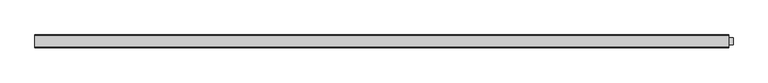
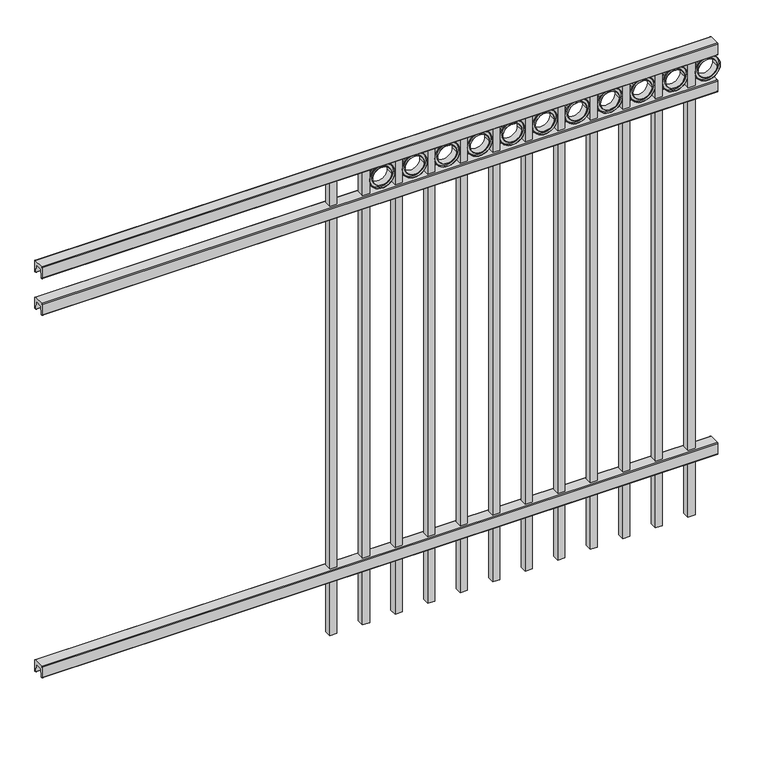
"""IFC4 building model written with IfcOpenShell, lengths in millimetres: railing geometry."""

from ifc_helpers import new_model, si_unit, point, frame, frame_2d, origin, place, context, project, spatial, polyline, circle_curve, trimmed, segment, composite_curve, outline, extrude, source, transform, mapped, element, save


def railing_21b656ec(model_context):
    return source(origin(), model_context, "Body", "SweptSolid", [
        extrude(outline(composite_curve([segment(polyline([(10349.9139761, 304.8), (10387.969541, 304.8)]), True, "CONTINUOUS"), segment(trimmed(circle_curve(frame_2d((10387.969541, 301.625)), 3.175), [point((10387.969541, 304.8))], [point((10391.144541, 301.625))], False, "CARTESIAN"), True, "CONTINUOUS"), segment(polyline([(10391.144541, 301.625), (10391.144541, 262.1439893)]), True, "CONTINUOUS"), segment(trimmed(circle_curve(frame_2d((10389.3505518, 262.1439893)), 1.7939893), [point((10391.144541, 262.1439893))], [point((10389.3505518, 260.35))], False, "CARTESIAN"), True, "CONTINUOUS"), segment(polyline([(10389.3505518, 260.35), (10386.7590713, 260.35)]), True, "CONTINUOUS"), segment(trimmed(circle_curve(frame_2d((10386.7590713, 262.1359375)), 1.7859375), [point((10386.7590713, 260.35))], [point((10384.9755813, 262.0424688))], False, "CARTESIAN"), True, "CONTINUOUS"), segment(polyline([(10384.9755813, 262.0424688), (10383.4025867, 292.0569942), (10354.4364954, 292.0569942), (10352.8635007, 262.0424688)]), True, "CONTINUOUS"), segment(trimmed(circle_curve(frame_2d((10351.0800108, 262.1359375)), 1.7859375), [point((10352.8635007, 262.0424688))], [point((10351.0800108, 260.35))], False, "CARTESIAN"), True, "CONTINUOUS"), segment(polyline([(10351.0800108, 260.35), (10348.4804785, 260.35)]), True, "CONTINUOUS"), segment(trimmed(circle_curve(frame_2d((10348.4804785, 262.1359375)), 1.7859375), [point((10348.4804785, 260.35))], [point((10346.694541, 262.1359375))], False, "CARTESIAN"), True, "CONTINUOUS"), segment(polyline([(10346.694541, 262.1359375), (10346.694541, 301.5805649)]), True, "CONTINUOUS"), segment(trimmed(circle_curve(frame_2d((10349.9139761, 301.5805649)), 3.2194351), [point((10346.694541, 301.5805649))], [point((10349.9139761, 304.8))], False, "CARTESIAN"), True, "CONTINUOUS")], self_intersect=False)), frame((-6193.0649936, 0.0, 0.0), z_axis=(1.0, 0.0, 0.0), x_axis=(0.0, 1.0, 0.0)), (0.0, 0.0, 1.0), 2438.4),
        extrude(outline(composite_curve([segment(polyline([(10349.9139761, 1688.30625), (10387.969541, 1688.30625)]), True, "CONTINUOUS"), segment(trimmed(circle_curve(frame_2d((10387.969541, 1685.13125)), 3.175), [point((10387.969541, 1688.30625))], [point((10391.144541, 1685.13125))], False, "CARTESIAN"), True, "CONTINUOUS"), segment(polyline([(10391.144541, 1685.13125), (10391.144541, 1645.6502393)]), True, "CONTINUOUS"), segment(trimmed(circle_curve(frame_2d((10389.3505518, 1645.6502393)), 1.7939893), [point((10391.144541, 1645.6502393))], [point((10389.3505518, 1643.85625))], False, "CARTESIAN"), True, "CONTINUOUS"), segment(polyline([(10389.3505518, 1643.85625), (10386.7590713, 1643.85625)]), True, "CONTINUOUS"), segment(trimmed(circle_curve(frame_2d((10386.7590713, 1645.6421875)), 1.7859375), [point((10386.7590713, 1643.85625))], [point((10384.9755813, 1645.5487188))], False, "CARTESIAN"), True, "CONTINUOUS"), segment(polyline([(10384.9755813, 1645.5487188), (10383.4025867, 1675.5632442), (10354.4364954, 1675.5632442), (10352.8635007, 1645.5487188)]), True, "CONTINUOUS"), segment(trimmed(circle_curve(frame_2d((10351.0800108, 1645.6421875)), 1.7859375), [point((10352.8635007, 1645.5487188))], [point((10351.0800108, 1643.85625))], False, "CARTESIAN"), True, "CONTINUOUS"), segment(polyline([(10351.0800108, 1643.85625), (10348.4804785, 1643.85625)]), True, "CONTINUOUS"), segment(trimmed(circle_curve(frame_2d((10348.4804785, 1645.6421875)), 1.7859375), [point((10348.4804785, 1643.85625))], [point((10346.694541, 1645.6421875))], False, "CARTESIAN"), True, "CONTINUOUS"), segment(polyline([(10346.694541, 1645.6421875), (10346.694541, 1685.0868149)]), True, "CONTINUOUS"), segment(trimmed(circle_curve(frame_2d((10349.9139761, 1685.0868149)), 3.2194351), [point((10346.694541, 1685.0868149))], [point((10349.9139761, 1688.30625))], False, "CARTESIAN"), True, "CONTINUOUS")], self_intersect=False)), frame((-6193.0649936, 0.0, 0.0), z_axis=(1.0, 0.0, 0.0), x_axis=(0.0, 1.0, 0.0)), (0.0, 0.0, 1.0), 2438.4),
        extrude(outline(composite_curve([segment(polyline([(10349.9139761, 1828.8), (10387.969541, 1828.8)]), True, "CONTINUOUS"), segment(trimmed(circle_curve(frame_2d((10387.969541, 1825.625)), 3.175), [point((10387.969541, 1828.8))], [point((10391.144541, 1825.625))], False, "CARTESIAN"), True, "CONTINUOUS"), segment(polyline([(10391.144541, 1825.625), (10391.144541, 1786.1439893)]), True, "CONTINUOUS"), segment(trimmed(circle_curve(frame_2d((10389.3505518, 1786.1439893)), 1.7939893), [point((10391.144541, 1786.1439893))], [point((10389.3505518, 1784.35))], False, "CARTESIAN"), True, "CONTINUOUS"), segment(polyline([(10389.3505518, 1784.35), (10386.7590713, 1784.35)]), True, "CONTINUOUS"), segment(trimmed(circle_curve(frame_2d((10386.7590713, 1786.1359375)), 1.7859375), [point((10386.7590713, 1784.35))], [point((10384.9755813, 1786.0424688))], False, "CARTESIAN"), True, "CONTINUOUS"), segment(polyline([(10384.9755813, 1786.0424688), (10383.4025867, 1816.0569942), (10354.4364954, 1816.0569942), (10352.8635007, 1786.0424688)]), True, "CONTINUOUS"), segment(trimmed(circle_curve(frame_2d((10351.0800108, 1786.1359375)), 1.7859375), [point((10352.8635007, 1786.0424688))], [point((10351.0800108, 1784.35))], False, "CARTESIAN"), True, "CONTINUOUS"), segment(polyline([(10351.0800108, 1784.35), (10348.4804785, 1784.35)]), True, "CONTINUOUS"), segment(trimmed(circle_curve(frame_2d((10348.4804785, 1786.1359375)), 1.7859375), [point((10348.4804785, 1784.35))], [point((10346.694541, 1786.1359375))], False, "CARTESIAN"), True, "CONTINUOUS"), segment(polyline([(10346.694541, 1786.1359375), (10346.694541, 1825.5805649)]), True, "CONTINUOUS"), segment(trimmed(circle_curve(frame_2d((10349.9139761, 1825.5805649)), 3.2194351), [point((10346.694541, 1825.5805649))], [point((10349.9139761, 1828.8))], False, "CARTESIAN"), True, "CONTINUOUS")], self_intersect=False)), frame((-6193.0649936, 0.0, 0.0), z_axis=(1.0, 0.0, 0.0), x_axis=(0.0, 1.0, 0.0)), (0.0, 0.0, 1.0), 2438.4),
        extrude(outline(polyline([(0.0, -1733.55), (0.0, 0.0), (25.4, 0.0), (25.4, -1733.55), (0.0, -1733.55)])), frame((-3830.8649864, 10381.619541, 1784.35), z_axis=(-1.0, 0.0, 2.393723301381961e-09), x_axis=(0.0, -1.0, 0.0)), (0.0, 0.0, 1.0), 25.4),
        extrude(outline(composite_curve([segment(trimmed(circle_curve(frame_2d((1738.6511409, -3785.1661274)), 45.6988591), [point((1738.6511409, -3739.4672684))], [point((1738.6511409, -3830.8649865))], False, "CARTESIAN"), True, "CONTINUOUS"), segment(trimmed(circle_curve(frame_2d((1738.6511409, -3785.1661274)), 45.6988591), [point((1738.6511409, -3830.8649865))], [point((1738.6511409, -3739.4672684))], False, "CARTESIAN"), True, "CONTINUOUS")], self_intersect=False), holes=[composite_curve([segment(trimmed(circle_curve(frame_2d((1738.6511409, -3785.1661274)), 44.101539), [point((1738.6511409, -3741.0645884))], [point((1738.6511409, -3829.2676665))], True, "CARTESIAN"), True, "CONTINUOUS"), segment(trimmed(circle_curve(frame_2d((1738.6511409, -3785.1661274)), 44.101539), [point((1738.6511409, -3829.2676665))], [point((1738.6511409, -3741.0645884))], True, "CARTESIAN"), True, "CONTINUOUS")], self_intersect=False)]), frame((0.0, 10356.219541, 0.0), z_axis=(0.0, 1.0, 0.0), x_axis=(0.0, 0.0, 1.0)), (0.0, 0.0, 1.0), 25.4),
        extrude(outline(composite_curve([segment(trimmed(circle_curve(frame_2d((1738.6511409, -3785.1661274)), 34.6370762), [point((1738.6511409, -3750.5290512))], [point((1738.6511409, -3819.8032037))], False, "CARTESIAN"), True, "CONTINUOUS"), segment(trimmed(circle_curve(frame_2d((1738.6511409, -3785.1661274)), 34.6370762), [point((1738.6511409, -3819.8032037))], [point((1738.6511409, -3750.5290512))], False, "CARTESIAN"), True, "CONTINUOUS")], self_intersect=False), holes=[composite_curve([segment(trimmed(circle_curve(frame_2d((1738.6511409, -3785.1661274)), 33.0443887), [point((1738.6511409, -3752.1217388))], [point((1738.6511409, -3818.2105161))], True, "CARTESIAN"), True, "CONTINUOUS"), segment(trimmed(circle_curve(frame_2d((1738.6511409, -3785.1661274)), 33.0443887), [point((1738.6511409, -3818.2105161))], [point((1738.6511409, -3752.1217388))], True, "CARTESIAN"), True, "CONTINUOUS")], self_intersect=False)]), frame((0.0, 10356.219541, 0.0), z_axis=(0.0, 1.0, 0.0), x_axis=(0.0, 0.0, 1.0)), (0.0, 0.0, 1.0), 25.4),
        extrude(outline(composite_curve([segment(trimmed(circle_curve(frame_2d((1738.6511409, -3785.1661274)), 45.6988591), [point((1738.6511409, -3739.4672684))], [point((1738.6511409, -3830.8649865))], False, "CARTESIAN"), True, "CONTINUOUS"), segment(trimmed(circle_curve(frame_2d((1738.6511409, -3785.1661274)), 45.6988591), [point((1738.6511409, -3830.8649865))], [point((1738.6511409, -3739.4672684))], False, "CARTESIAN"), True, "CONTINUOUS")], self_intersect=False), holes=[composite_curve([segment(trimmed(circle_curve(frame_2d((1738.6511409, -3785.1661274)), 33.0443887), [point((1738.6511409, -3752.1217388))], [point((1738.6511409, -3818.2105161))], True, "CARTESIAN"), True, "CONTINUOUS"), segment(trimmed(circle_curve(frame_2d((1738.6511409, -3785.1661274)), 33.0443887), [point((1738.6511409, -3818.2105161))], [point((1738.6511409, -3752.1217388))], True, "CARTESIAN"), True, "CONTINUOUS")], self_intersect=False)]), frame((0.0, 10362.569541, 0.0), z_axis=(0.0, 1.0, 0.0), x_axis=(0.0, 0.0, 1.0)), (0.0, 0.0, 1.0), 12.7),
        extrude(outline(polyline([(0.0, -1733.55), (0.0, 0.0), (25.4, 0.0), (25.4, -1733.55), (0.0, -1733.55)])), frame((-3948.3399864, 10381.619541, 1784.35), z_axis=(-1.0, 0.0, 2.393723301381961e-09), x_axis=(0.0, -1.0, 0.0)), (0.0, 0.0, 1.0), 25.4),
        extrude(outline(composite_curve([segment(trimmed(circle_curve(frame_2d((1738.6511409, -3902.6411274)), 45.6988591), [point((1738.6511409, -3856.9422684))], [point((1738.6511409, -3948.3399865))], False, "CARTESIAN"), True, "CONTINUOUS"), segment(trimmed(circle_curve(frame_2d((1738.6511409, -3902.6411274)), 45.6988591), [point((1738.6511409, -3948.3399865))], [point((1738.6511409, -3856.9422684))], False, "CARTESIAN"), True, "CONTINUOUS")], self_intersect=False), holes=[composite_curve([segment(trimmed(circle_curve(frame_2d((1738.6511409, -3902.6411274)), 44.101539), [point((1738.6511409, -3858.5395884))], [point((1738.6511409, -3946.7426665))], True, "CARTESIAN"), True, "CONTINUOUS"), segment(trimmed(circle_curve(frame_2d((1738.6511409, -3902.6411274)), 44.101539), [point((1738.6511409, -3946.7426665))], [point((1738.6511409, -3858.5395884))], True, "CARTESIAN"), True, "CONTINUOUS")], self_intersect=False)]), frame((0.0, 10356.219541, 0.0), z_axis=(0.0, 1.0, 0.0), x_axis=(0.0, 0.0, 1.0)), (0.0, 0.0, 1.0), 25.4),
        extrude(outline(composite_curve([segment(trimmed(circle_curve(frame_2d((1738.6511409, -3902.6411274)), 34.6370762), [point((1738.6511409, -3868.0040512))], [point((1738.6511409, -3937.2782037))], False, "CARTESIAN"), True, "CONTINUOUS"), segment(trimmed(circle_curve(frame_2d((1738.6511409, -3902.6411274)), 34.6370762), [point((1738.6511409, -3937.2782037))], [point((1738.6511409, -3868.0040512))], False, "CARTESIAN"), True, "CONTINUOUS")], self_intersect=False), holes=[composite_curve([segment(trimmed(circle_curve(frame_2d((1738.6511409, -3902.6411274)), 33.0443887), [point((1738.6511409, -3869.5967388))], [point((1738.6511409, -3935.6855161))], True, "CARTESIAN"), True, "CONTINUOUS"), segment(trimmed(circle_curve(frame_2d((1738.6511409, -3902.6411274)), 33.0443887), [point((1738.6511409, -3935.6855161))], [point((1738.6511409, -3869.5967388))], True, "CARTESIAN"), True, "CONTINUOUS")], self_intersect=False)]), frame((0.0, 10356.219541, 0.0), z_axis=(0.0, 1.0, 0.0), x_axis=(0.0, 0.0, 1.0)), (0.0, 0.0, 1.0), 25.4),
        extrude(outline(composite_curve([segment(trimmed(circle_curve(frame_2d((1738.6511409, -3902.6411274)), 45.6988591), [point((1738.6511409, -3856.9422684))], [point((1738.6511409, -3948.3399865))], False, "CARTESIAN"), True, "CONTINUOUS"), segment(trimmed(circle_curve(frame_2d((1738.6511409, -3902.6411274)), 45.6988591), [point((1738.6511409, -3948.3399865))], [point((1738.6511409, -3856.9422684))], False, "CARTESIAN"), True, "CONTINUOUS")], self_intersect=False), holes=[composite_curve([segment(trimmed(circle_curve(frame_2d((1738.6511409, -3902.6411274)), 33.0443887), [point((1738.6511409, -3869.5967388))], [point((1738.6511409, -3935.6855161))], True, "CARTESIAN"), True, "CONTINUOUS"), segment(trimmed(circle_curve(frame_2d((1738.6511409, -3902.6411274)), 33.0443887), [point((1738.6511409, -3935.6855161))], [point((1738.6511409, -3869.5967388))], True, "CARTESIAN"), True, "CONTINUOUS")], self_intersect=False)]), frame((0.0, 10362.569541, 0.0), z_axis=(0.0, 1.0, 0.0), x_axis=(0.0, 0.0, 1.0)), (0.0, 0.0, 1.0), 12.7),
        extrude(outline(polyline([(0.0, -1733.55), (0.0, 0.0), (25.4, 0.0), (25.4, -1733.55), (0.0, -1733.55)])), frame((-4065.8149864, 10381.619541, 1784.35), z_axis=(-1.0, 0.0, 2.393723301381961e-09), x_axis=(0.0, -1.0, 0.0)), (0.0, 0.0, 1.0), 25.4),
        extrude(outline(composite_curve([segment(trimmed(circle_curve(frame_2d((1738.6511409, -4020.1161274)), 45.6988591), [point((1738.6511409, -3974.4172684))], [point((1738.6511409, -4065.8149865))], False, "CARTESIAN"), True, "CONTINUOUS"), segment(trimmed(circle_curve(frame_2d((1738.6511409, -4020.1161274)), 45.6988591), [point((1738.6511409, -4065.8149865))], [point((1738.6511409, -3974.4172684))], False, "CARTESIAN"), True, "CONTINUOUS")], self_intersect=False), holes=[composite_curve([segment(trimmed(circle_curve(frame_2d((1738.6511409, -4020.1161274)), 44.101539), [point((1738.6511409, -3976.0145884))], [point((1738.6511409, -4064.2176665))], True, "CARTESIAN"), True, "CONTINUOUS"), segment(trimmed(circle_curve(frame_2d((1738.6511409, -4020.1161274)), 44.101539), [point((1738.6511409, -4064.2176665))], [point((1738.6511409, -3976.0145884))], True, "CARTESIAN"), True, "CONTINUOUS")], self_intersect=False)]), frame((0.0, 10356.219541, 0.0), z_axis=(0.0, 1.0, 0.0), x_axis=(0.0, 0.0, 1.0)), (0.0, 0.0, 1.0), 25.4),
        extrude(outline(composite_curve([segment(trimmed(circle_curve(frame_2d((1738.6511409, -4020.1161274)), 34.6370762), [point((1738.6511409, -3985.4790512))], [point((1738.6511409, -4054.7532037))], False, "CARTESIAN"), True, "CONTINUOUS"), segment(trimmed(circle_curve(frame_2d((1738.6511409, -4020.1161274)), 34.6370762), [point((1738.6511409, -4054.7532037))], [point((1738.6511409, -3985.4790512))], False, "CARTESIAN"), True, "CONTINUOUS")], self_intersect=False), holes=[composite_curve([segment(trimmed(circle_curve(frame_2d((1738.6511409, -4020.1161274)), 33.0443887), [point((1738.6511409, -3987.0717388))], [point((1738.6511409, -4053.1605161))], True, "CARTESIAN"), True, "CONTINUOUS"), segment(trimmed(circle_curve(frame_2d((1738.6511409, -4020.1161274)), 33.0443887), [point((1738.6511409, -4053.1605161))], [point((1738.6511409, -3987.0717388))], True, "CARTESIAN"), True, "CONTINUOUS")], self_intersect=False)]), frame((0.0, 10356.219541, 0.0), z_axis=(0.0, 1.0, 0.0), x_axis=(0.0, 0.0, 1.0)), (0.0, 0.0, 1.0), 25.4),
        extrude(outline(composite_curve([segment(trimmed(circle_curve(frame_2d((1738.6511409, -4020.1161274)), 45.6988591), [point((1738.6511409, -3974.4172684))], [point((1738.6511409, -4065.8149865))], False, "CARTESIAN"), True, "CONTINUOUS"), segment(trimmed(circle_curve(frame_2d((1738.6511409, -4020.1161274)), 45.6988591), [point((1738.6511409, -4065.8149865))], [point((1738.6511409, -3974.4172684))], False, "CARTESIAN"), True, "CONTINUOUS")], self_intersect=False), holes=[composite_curve([segment(trimmed(circle_curve(frame_2d((1738.6511409, -4020.1161274)), 33.0443887), [point((1738.6511409, -3987.0717388))], [point((1738.6511409, -4053.1605161))], True, "CARTESIAN"), True, "CONTINUOUS"), segment(trimmed(circle_curve(frame_2d((1738.6511409, -4020.1161274)), 33.0443887), [point((1738.6511409, -4053.1605161))], [point((1738.6511409, -3987.0717388))], True, "CARTESIAN"), True, "CONTINUOUS")], self_intersect=False)]), frame((0.0, 10362.569541, 0.0), z_axis=(0.0, 1.0, 0.0), x_axis=(0.0, 0.0, 1.0)), (0.0, 0.0, 1.0), 12.7),
        extrude(outline(polyline([(0.0, -1733.55), (0.0, 0.0), (25.4, 0.0), (25.4, -1733.55), (0.0, -1733.55)])), frame((-4183.2899864, 10381.619541, 1784.35), z_axis=(-1.0, 0.0, 2.393723301381961e-09), x_axis=(0.0, -1.0, 0.0)), (0.0, 0.0, 1.0), 25.4),
        extrude(outline(composite_curve([segment(trimmed(circle_curve(frame_2d((1738.6511409, -4137.5911274)), 45.6988591), [point((1738.6511409, -4091.8922684))], [point((1738.6511409, -4183.2899865))], False, "CARTESIAN"), True, "CONTINUOUS"), segment(trimmed(circle_curve(frame_2d((1738.6511409, -4137.5911274)), 45.6988591), [point((1738.6511409, -4183.2899865))], [point((1738.6511409, -4091.8922684))], False, "CARTESIAN"), True, "CONTINUOUS")], self_intersect=False), holes=[composite_curve([segment(trimmed(circle_curve(frame_2d((1738.6511409, -4137.5911274)), 44.101539), [point((1738.6511409, -4093.4895884))], [point((1738.6511409, -4181.6926665))], True, "CARTESIAN"), True, "CONTINUOUS"), segment(trimmed(circle_curve(frame_2d((1738.6511409, -4137.5911274)), 44.101539), [point((1738.6511409, -4181.6926665))], [point((1738.6511409, -4093.4895884))], True, "CARTESIAN"), True, "CONTINUOUS")], self_intersect=False)]), frame((0.0, 10356.219541, 0.0), z_axis=(0.0, 1.0, 0.0), x_axis=(0.0, 0.0, 1.0)), (0.0, 0.0, 1.0), 25.4),
        extrude(outline(composite_curve([segment(trimmed(circle_curve(frame_2d((1738.6511409, -4137.5911274)), 34.6370762), [point((1738.6511409, -4102.9540512))], [point((1738.6511409, -4172.2282037))], False, "CARTESIAN"), True, "CONTINUOUS"), segment(trimmed(circle_curve(frame_2d((1738.6511409, -4137.5911274)), 34.6370762), [point((1738.6511409, -4172.2282037))], [point((1738.6511409, -4102.9540512))], False, "CARTESIAN"), True, "CONTINUOUS")], self_intersect=False), holes=[composite_curve([segment(trimmed(circle_curve(frame_2d((1738.6511409, -4137.5911274)), 33.0443887), [point((1738.6511409, -4104.5467388))], [point((1738.6511409, -4170.6355161))], True, "CARTESIAN"), True, "CONTINUOUS"), segment(trimmed(circle_curve(frame_2d((1738.6511409, -4137.5911274)), 33.0443887), [point((1738.6511409, -4170.6355161))], [point((1738.6511409, -4104.5467388))], True, "CARTESIAN"), True, "CONTINUOUS")], self_intersect=False)]), frame((0.0, 10356.219541, 0.0), z_axis=(0.0, 1.0, 0.0), x_axis=(0.0, 0.0, 1.0)), (0.0, 0.0, 1.0), 25.4),
        extrude(outline(composite_curve([segment(trimmed(circle_curve(frame_2d((1738.6511409, -4137.5911274)), 45.6988591), [point((1738.6511409, -4091.8922684))], [point((1738.6511409, -4183.2899865))], False, "CARTESIAN"), True, "CONTINUOUS"), segment(trimmed(circle_curve(frame_2d((1738.6511409, -4137.5911274)), 45.6988591), [point((1738.6511409, -4183.2899865))], [point((1738.6511409, -4091.8922684))], False, "CARTESIAN"), True, "CONTINUOUS")], self_intersect=False), holes=[composite_curve([segment(trimmed(circle_curve(frame_2d((1738.6511409, -4137.5911274)), 33.0443887), [point((1738.6511409, -4104.5467388))], [point((1738.6511409, -4170.6355161))], True, "CARTESIAN"), True, "CONTINUOUS"), segment(trimmed(circle_curve(frame_2d((1738.6511409, -4137.5911274)), 33.0443887), [point((1738.6511409, -4170.6355161))], [point((1738.6511409, -4104.5467388))], True, "CARTESIAN"), True, "CONTINUOUS")], self_intersect=False)]), frame((0.0, 10362.569541, 0.0), z_axis=(0.0, 1.0, 0.0), x_axis=(0.0, 0.0, 1.0)), (0.0, 0.0, 1.0), 12.7),
        extrude(outline(polyline([(0.0, -1733.55), (0.0, 0.0), (25.4, 0.0), (25.4, -1733.55), (0.0, -1733.55)])), frame((-4300.7649864, 10381.619541, 1784.35), z_axis=(-1.0, 0.0, 2.393723301381961e-09), x_axis=(0.0, -1.0, 0.0)), (0.0, 0.0, 1.0), 25.4),
        extrude(outline(composite_curve([segment(trimmed(circle_curve(frame_2d((1738.6511409, -4255.0661274)), 45.6988591), [point((1738.6511409, -4209.3672684))], [point((1738.6511409, -4300.7649865))], False, "CARTESIAN"), True, "CONTINUOUS"), segment(trimmed(circle_curve(frame_2d((1738.6511409, -4255.0661274)), 45.6988591), [point((1738.6511409, -4300.7649865))], [point((1738.6511409, -4209.3672684))], False, "CARTESIAN"), True, "CONTINUOUS")], self_intersect=False), holes=[composite_curve([segment(trimmed(circle_curve(frame_2d((1738.6511409, -4255.0661274)), 44.101539), [point((1738.6511409, -4210.9645884))], [point((1738.6511409, -4299.1676665))], True, "CARTESIAN"), True, "CONTINUOUS"), segment(trimmed(circle_curve(frame_2d((1738.6511409, -4255.0661274)), 44.101539), [point((1738.6511409, -4299.1676665))], [point((1738.6511409, -4210.9645884))], True, "CARTESIAN"), True, "CONTINUOUS")], self_intersect=False)]), frame((0.0, 10356.219541, 0.0), z_axis=(0.0, 1.0, 0.0), x_axis=(0.0, 0.0, 1.0)), (0.0, 0.0, 1.0), 25.4),
        extrude(outline(composite_curve([segment(trimmed(circle_curve(frame_2d((1738.6511409, -4255.0661274)), 34.6370762), [point((1738.6511409, -4220.4290512))], [point((1738.6511409, -4289.7032037))], False, "CARTESIAN"), True, "CONTINUOUS"), segment(trimmed(circle_curve(frame_2d((1738.6511409, -4255.0661274)), 34.6370762), [point((1738.6511409, -4289.7032037))], [point((1738.6511409, -4220.4290512))], False, "CARTESIAN"), True, "CONTINUOUS")], self_intersect=False), holes=[composite_curve([segment(trimmed(circle_curve(frame_2d((1738.6511409, -4255.0661274)), 33.0443887), [point((1738.6511409, -4222.0217388))], [point((1738.6511409, -4288.1105161))], True, "CARTESIAN"), True, "CONTINUOUS"), segment(trimmed(circle_curve(frame_2d((1738.6511409, -4255.0661274)), 33.0443887), [point((1738.6511409, -4288.1105161))], [point((1738.6511409, -4222.0217388))], True, "CARTESIAN"), True, "CONTINUOUS")], self_intersect=False)]), frame((0.0, 10356.219541, 0.0), z_axis=(0.0, 1.0, 0.0), x_axis=(0.0, 0.0, 1.0)), (0.0, 0.0, 1.0), 25.4),
        extrude(outline(composite_curve([segment(trimmed(circle_curve(frame_2d((1738.6511409, -4255.0661274)), 45.6988591), [point((1738.6511409, -4209.3672684))], [point((1738.6511409, -4300.7649865))], False, "CARTESIAN"), True, "CONTINUOUS"), segment(trimmed(circle_curve(frame_2d((1738.6511409, -4255.0661274)), 45.6988591), [point((1738.6511409, -4300.7649865))], [point((1738.6511409, -4209.3672684))], False, "CARTESIAN"), True, "CONTINUOUS")], self_intersect=False), holes=[composite_curve([segment(trimmed(circle_curve(frame_2d((1738.6511409, -4255.0661274)), 33.0443887), [point((1738.6511409, -4222.0217388))], [point((1738.6511409, -4288.1105161))], True, "CARTESIAN"), True, "CONTINUOUS"), segment(trimmed(circle_curve(frame_2d((1738.6511409, -4255.0661274)), 33.0443887), [point((1738.6511409, -4288.1105161))], [point((1738.6511409, -4222.0217388))], True, "CARTESIAN"), True, "CONTINUOUS")], self_intersect=False)]), frame((0.0, 10362.569541, 0.0), z_axis=(0.0, 1.0, 0.0), x_axis=(0.0, 0.0, 1.0)), (0.0, 0.0, 1.0), 12.7),
        extrude(outline(polyline([(0.0, -1733.55), (0.0, 0.0), (25.4, 0.0), (25.4, -1733.55), (0.0, -1733.55)])), frame((-4418.2399864, 10381.619541, 1784.35), z_axis=(-1.0, 0.0, 2.393723301381961e-09), x_axis=(0.0, -1.0, 0.0)), (0.0, 0.0, 1.0), 25.4),
        extrude(outline(composite_curve([segment(trimmed(circle_curve(frame_2d((1738.6511409, -4372.5411274)), 45.6988591), [point((1738.6511409, -4326.8422684))], [point((1738.6511409, -4418.2399865))], False, "CARTESIAN"), True, "CONTINUOUS"), segment(trimmed(circle_curve(frame_2d((1738.6511409, -4372.5411274)), 45.6988591), [point((1738.6511409, -4418.2399865))], [point((1738.6511409, -4326.8422684))], False, "CARTESIAN"), True, "CONTINUOUS")], self_intersect=False), holes=[composite_curve([segment(trimmed(circle_curve(frame_2d((1738.6511409, -4372.5411274)), 44.101539), [point((1738.6511409, -4328.4395884))], [point((1738.6511409, -4416.6426665))], True, "CARTESIAN"), True, "CONTINUOUS"), segment(trimmed(circle_curve(frame_2d((1738.6511409, -4372.5411274)), 44.101539), [point((1738.6511409, -4416.6426665))], [point((1738.6511409, -4328.4395884))], True, "CARTESIAN"), True, "CONTINUOUS")], self_intersect=False)]), frame((0.0, 10356.219541, 0.0), z_axis=(0.0, 1.0, 0.0), x_axis=(0.0, 0.0, 1.0)), (0.0, 0.0, 1.0), 25.4),
        extrude(outline(composite_curve([segment(trimmed(circle_curve(frame_2d((1738.6511409, -4372.5411274)), 34.6370762), [point((1738.6511409, -4337.9040512))], [point((1738.6511409, -4407.1782037))], False, "CARTESIAN"), True, "CONTINUOUS"), segment(trimmed(circle_curve(frame_2d((1738.6511409, -4372.5411274)), 34.6370762), [point((1738.6511409, -4407.1782037))], [point((1738.6511409, -4337.9040512))], False, "CARTESIAN"), True, "CONTINUOUS")], self_intersect=False), holes=[composite_curve([segment(trimmed(circle_curve(frame_2d((1738.6511409, -4372.5411274)), 33.0443887), [point((1738.6511409, -4339.4967388))], [point((1738.6511409, -4405.5855161))], True, "CARTESIAN"), True, "CONTINUOUS"), segment(trimmed(circle_curve(frame_2d((1738.6511409, -4372.5411274)), 33.0443887), [point((1738.6511409, -4405.5855161))], [point((1738.6511409, -4339.4967388))], True, "CARTESIAN"), True, "CONTINUOUS")], self_intersect=False)]), frame((0.0, 10356.219541, 0.0), z_axis=(0.0, 1.0, 0.0), x_axis=(0.0, 0.0, 1.0)), (0.0, 0.0, 1.0), 25.4),
        extrude(outline(composite_curve([segment(trimmed(circle_curve(frame_2d((1738.6511409, -4372.5411274)), 45.6988591), [point((1738.6511409, -4326.8422684))], [point((1738.6511409, -4418.2399865))], False, "CARTESIAN"), True, "CONTINUOUS"), segment(trimmed(circle_curve(frame_2d((1738.6511409, -4372.5411274)), 45.6988591), [point((1738.6511409, -4418.2399865))], [point((1738.6511409, -4326.8422684))], False, "CARTESIAN"), True, "CONTINUOUS")], self_intersect=False), holes=[composite_curve([segment(trimmed(circle_curve(frame_2d((1738.6511409, -4372.5411274)), 33.0443887), [point((1738.6511409, -4339.4967388))], [point((1738.6511409, -4405.5855161))], True, "CARTESIAN"), True, "CONTINUOUS"), segment(trimmed(circle_curve(frame_2d((1738.6511409, -4372.5411274)), 33.0443887), [point((1738.6511409, -4405.5855161))], [point((1738.6511409, -4339.4967388))], True, "CARTESIAN"), True, "CONTINUOUS")], self_intersect=False)]), frame((0.0, 10362.569541, 0.0), z_axis=(0.0, 1.0, 0.0), x_axis=(0.0, 0.0, 1.0)), (0.0, 0.0, 1.0), 12.7),
        extrude(outline(polyline([(0.0, -1733.55), (0.0, 0.0), (25.4, 0.0), (25.4, -1733.55), (0.0, -1733.55)])), frame((-4535.7149864, 10381.619541, 1784.35), z_axis=(-1.0, 0.0, 2.393723301381961e-09), x_axis=(0.0, -1.0, 0.0)), (0.0, 0.0, 1.0), 25.4),
        extrude(outline(composite_curve([segment(trimmed(circle_curve(frame_2d((1738.6511409, -4490.0161274)), 45.6988591), [point((1738.6511409, -4444.3172684))], [point((1738.6511409, -4535.7149865))], False, "CARTESIAN"), True, "CONTINUOUS"), segment(trimmed(circle_curve(frame_2d((1738.6511409, -4490.0161274)), 45.6988591), [point((1738.6511409, -4535.7149865))], [point((1738.6511409, -4444.3172684))], False, "CARTESIAN"), True, "CONTINUOUS")], self_intersect=False), holes=[composite_curve([segment(trimmed(circle_curve(frame_2d((1738.6511409, -4490.0161274)), 44.101539), [point((1738.6511409, -4445.9145884))], [point((1738.6511409, -4534.1176665))], True, "CARTESIAN"), True, "CONTINUOUS"), segment(trimmed(circle_curve(frame_2d((1738.6511409, -4490.0161274)), 44.101539), [point((1738.6511409, -4534.1176665))], [point((1738.6511409, -4445.9145884))], True, "CARTESIAN"), True, "CONTINUOUS")], self_intersect=False)]), frame((0.0, 10356.219541, 0.0), z_axis=(0.0, 1.0, 0.0), x_axis=(0.0, 0.0, 1.0)), (0.0, 0.0, 1.0), 25.4),
        extrude(outline(composite_curve([segment(trimmed(circle_curve(frame_2d((1738.6511409, -4490.0161274)), 34.6370762), [point((1738.6511409, -4455.3790512))], [point((1738.6511409, -4524.6532037))], False, "CARTESIAN"), True, "CONTINUOUS"), segment(trimmed(circle_curve(frame_2d((1738.6511409, -4490.0161274)), 34.6370762), [point((1738.6511409, -4524.6532037))], [point((1738.6511409, -4455.3790512))], False, "CARTESIAN"), True, "CONTINUOUS")], self_intersect=False), holes=[composite_curve([segment(trimmed(circle_curve(frame_2d((1738.6511409, -4490.0161274)), 33.0443887), [point((1738.6511409, -4456.9717388))], [point((1738.6511409, -4523.0605161))], True, "CARTESIAN"), True, "CONTINUOUS"), segment(trimmed(circle_curve(frame_2d((1738.6511409, -4490.0161274)), 33.0443887), [point((1738.6511409, -4523.0605161))], [point((1738.6511409, -4456.9717388))], True, "CARTESIAN"), True, "CONTINUOUS")], self_intersect=False)]), frame((0.0, 10356.219541, 0.0), z_axis=(0.0, 1.0, 0.0), x_axis=(0.0, 0.0, 1.0)), (0.0, 0.0, 1.0), 25.4),
        extrude(outline(composite_curve([segment(trimmed(circle_curve(frame_2d((1738.6511409, -4490.0161274)), 45.6988591), [point((1738.6511409, -4444.3172684))], [point((1738.6511409, -4535.7149865))], False, "CARTESIAN"), True, "CONTINUOUS"), segment(trimmed(circle_curve(frame_2d((1738.6511409, -4490.0161274)), 45.6988591), [point((1738.6511409, -4535.7149865))], [point((1738.6511409, -4444.3172684))], False, "CARTESIAN"), True, "CONTINUOUS")], self_intersect=False), holes=[composite_curve([segment(trimmed(circle_curve(frame_2d((1738.6511409, -4490.0161274)), 33.0443887), [point((1738.6511409, -4456.9717388))], [point((1738.6511409, -4523.0605161))], True, "CARTESIAN"), True, "CONTINUOUS"), segment(trimmed(circle_curve(frame_2d((1738.6511409, -4490.0161274)), 33.0443887), [point((1738.6511409, -4523.0605161))], [point((1738.6511409, -4456.9717388))], True, "CARTESIAN"), True, "CONTINUOUS")], self_intersect=False)]), frame((0.0, 10362.569541, 0.0), z_axis=(0.0, 1.0, 0.0), x_axis=(0.0, 0.0, 1.0)), (0.0, 0.0, 1.0), 12.7),
        extrude(outline(polyline([(0.0, -1733.55), (0.0, 0.0), (25.4, 0.0), (25.4, -1733.55), (0.0, -1733.55)])), frame((-4653.1899864, 10381.619541, 1784.35), z_axis=(-1.0, 0.0, 2.393723301381961e-09), x_axis=(0.0, -1.0, 0.0)), (0.0, 0.0, 1.0), 25.4),
        extrude(outline(composite_curve([segment(trimmed(circle_curve(frame_2d((1738.6511409, -4607.4911274)), 45.6988591), [point((1738.6511409, -4561.7922684))], [point((1738.6511409, -4653.1899865))], False, "CARTESIAN"), True, "CONTINUOUS"), segment(trimmed(circle_curve(frame_2d((1738.6511409, -4607.4911274)), 45.6988591), [point((1738.6511409, -4653.1899865))], [point((1738.6511409, -4561.7922684))], False, "CARTESIAN"), True, "CONTINUOUS")], self_intersect=False), holes=[composite_curve([segment(trimmed(circle_curve(frame_2d((1738.6511409, -4607.4911274)), 44.101539), [point((1738.6511409, -4563.3895884))], [point((1738.6511409, -4651.5926665))], True, "CARTESIAN"), True, "CONTINUOUS"), segment(trimmed(circle_curve(frame_2d((1738.6511409, -4607.4911274)), 44.101539), [point((1738.6511409, -4651.5926665))], [point((1738.6511409, -4563.3895884))], True, "CARTESIAN"), True, "CONTINUOUS")], self_intersect=False)]), frame((0.0, 10356.219541, 0.0), z_axis=(0.0, 1.0, 0.0), x_axis=(0.0, 0.0, 1.0)), (0.0, 0.0, 1.0), 25.4),
        extrude(outline(composite_curve([segment(trimmed(circle_curve(frame_2d((1738.6511409, -4607.4911274)), 34.6370762), [point((1738.6511409, -4572.8540512))], [point((1738.6511409, -4642.1282037))], False, "CARTESIAN"), True, "CONTINUOUS"), segment(trimmed(circle_curve(frame_2d((1738.6511409, -4607.4911274)), 34.6370762), [point((1738.6511409, -4642.1282037))], [point((1738.6511409, -4572.8540512))], False, "CARTESIAN"), True, "CONTINUOUS")], self_intersect=False), holes=[composite_curve([segment(trimmed(circle_curve(frame_2d((1738.6511409, -4607.4911274)), 33.0443887), [point((1738.6511409, -4574.4467388))], [point((1738.6511409, -4640.5355161))], True, "CARTESIAN"), True, "CONTINUOUS"), segment(trimmed(circle_curve(frame_2d((1738.6511409, -4607.4911274)), 33.0443887), [point((1738.6511409, -4640.5355161))], [point((1738.6511409, -4574.4467388))], True, "CARTESIAN"), True, "CONTINUOUS")], self_intersect=False)]), frame((0.0, 10356.219541, 0.0), z_axis=(0.0, 1.0, 0.0), x_axis=(0.0, 0.0, 1.0)), (0.0, 0.0, 1.0), 25.4),
        extrude(outline(composite_curve([segment(trimmed(circle_curve(frame_2d((1738.6511409, -4607.4911274)), 45.6988591), [point((1738.6511409, -4561.7922684))], [point((1738.6511409, -4653.1899865))], False, "CARTESIAN"), True, "CONTINUOUS"), segment(trimmed(circle_curve(frame_2d((1738.6511409, -4607.4911274)), 45.6988591), [point((1738.6511409, -4653.1899865))], [point((1738.6511409, -4561.7922684))], False, "CARTESIAN"), True, "CONTINUOUS")], self_intersect=False), holes=[composite_curve([segment(trimmed(circle_curve(frame_2d((1738.6511409, -4607.4911274)), 33.0443887), [point((1738.6511409, -4574.4467388))], [point((1738.6511409, -4640.5355161))], True, "CARTESIAN"), True, "CONTINUOUS"), segment(trimmed(circle_curve(frame_2d((1738.6511409, -4607.4911274)), 33.0443887), [point((1738.6511409, -4640.5355161))], [point((1738.6511409, -4574.4467388))], True, "CARTESIAN"), True, "CONTINUOUS")], self_intersect=False)]), frame((0.0, 10362.569541, 0.0), z_axis=(0.0, 1.0, 0.0), x_axis=(0.0, 0.0, 1.0)), (0.0, 0.0, 1.0), 12.7),
        extrude(outline(polyline([(0.0, -1733.55), (0.0, 0.0), (25.4, 0.0), (25.4, -1733.55), (0.0, -1733.55)])), frame((-4770.6649864, 10381.619541, 1784.35), z_axis=(-1.0, 0.0, 2.393723301381961e-09), x_axis=(0.0, -1.0, 0.0)), (0.0, 0.0, 1.0), 25.4),
        extrude(outline(composite_curve([segment(trimmed(circle_curve(frame_2d((1738.6511409, -4724.9661274)), 45.6988591), [point((1738.6511409, -4679.2672684))], [point((1738.6511409, -4770.6649865))], False, "CARTESIAN"), True, "CONTINUOUS"), segment(trimmed(circle_curve(frame_2d((1738.6511409, -4724.9661274)), 45.6988591), [point((1738.6511409, -4770.6649865))], [point((1738.6511409, -4679.2672684))], False, "CARTESIAN"), True, "CONTINUOUS")], self_intersect=False), holes=[composite_curve([segment(trimmed(circle_curve(frame_2d((1738.6511409, -4724.9661274)), 44.101539), [point((1738.6511409, -4680.8645884))], [point((1738.6511409, -4769.0676665))], True, "CARTESIAN"), True, "CONTINUOUS"), segment(trimmed(circle_curve(frame_2d((1738.6511409, -4724.9661274)), 44.101539), [point((1738.6511409, -4769.0676665))], [point((1738.6511409, -4680.8645884))], True, "CARTESIAN"), True, "CONTINUOUS")], self_intersect=False)]), frame((0.0, 10356.219541, 0.0), z_axis=(0.0, 1.0, 0.0), x_axis=(0.0, 0.0, 1.0)), (0.0, 0.0, 1.0), 25.4),
        extrude(outline(composite_curve([segment(trimmed(circle_curve(frame_2d((1738.6511409, -4724.9661274)), 34.6370762), [point((1738.6511409, -4690.3290512))], [point((1738.6511409, -4759.6032037))], False, "CARTESIAN"), True, "CONTINUOUS"), segment(trimmed(circle_curve(frame_2d((1738.6511409, -4724.9661274)), 34.6370762), [point((1738.6511409, -4759.6032037))], [point((1738.6511409, -4690.3290512))], False, "CARTESIAN"), True, "CONTINUOUS")], self_intersect=False), holes=[composite_curve([segment(trimmed(circle_curve(frame_2d((1738.6511409, -4724.9661274)), 33.0443887), [point((1738.6511409, -4691.9217388))], [point((1738.6511409, -4758.0105161))], True, "CARTESIAN"), True, "CONTINUOUS"), segment(trimmed(circle_curve(frame_2d((1738.6511409, -4724.9661274)), 33.0443887), [point((1738.6511409, -4758.0105161))], [point((1738.6511409, -4691.9217388))], True, "CARTESIAN"), True, "CONTINUOUS")], self_intersect=False)]), frame((0.0, 10356.219541, 0.0), z_axis=(0.0, 1.0, 0.0), x_axis=(0.0, 0.0, 1.0)), (0.0, 0.0, 1.0), 25.4),
        extrude(outline(composite_curve([segment(trimmed(circle_curve(frame_2d((1738.6511409, -4724.9661274)), 45.6988591), [point((1738.6511409, -4679.2672684))], [point((1738.6511409, -4770.6649865))], False, "CARTESIAN"), True, "CONTINUOUS"), segment(trimmed(circle_curve(frame_2d((1738.6511409, -4724.9661274)), 45.6988591), [point((1738.6511409, -4770.6649865))], [point((1738.6511409, -4679.2672684))], False, "CARTESIAN"), True, "CONTINUOUS")], self_intersect=False), holes=[composite_curve([segment(trimmed(circle_curve(frame_2d((1738.6511409, -4724.9661274)), 33.0443887), [point((1738.6511409, -4691.9217388))], [point((1738.6511409, -4758.0105161))], True, "CARTESIAN"), True, "CONTINUOUS"), segment(trimmed(circle_curve(frame_2d((1738.6511409, -4724.9661274)), 33.0443887), [point((1738.6511409, -4758.0105161))], [point((1738.6511409, -4691.9217388))], True, "CARTESIAN"), True, "CONTINUOUS")], self_intersect=False)]), frame((0.0, 10362.569541, 0.0), z_axis=(0.0, 1.0, 0.0), x_axis=(0.0, 0.0, 1.0)), (0.0, 0.0, 1.0), 12.7),
        extrude(outline(polyline([(0.0, -1733.55), (0.0, 0.0), (25.4, 0.0), (25.4, -1733.55), (0.0, -1733.55)])), frame((-4888.1399864, 10381.619541, 1784.35), z_axis=(-1.0, 0.0, 2.393723301381961e-09), x_axis=(0.0, -1.0, 0.0)), (0.0, 0.0, 1.0), 25.4),
        extrude(outline(composite_curve([segment(trimmed(circle_curve(frame_2d((1738.6511409, -4842.4411274)), 45.6988591), [point((1738.6511409, -4796.7422684))], [point((1738.6511409, -4888.1399865))], False, "CARTESIAN"), True, "CONTINUOUS"), segment(trimmed(circle_curve(frame_2d((1738.6511409, -4842.4411274)), 45.6988591), [point((1738.6511409, -4888.1399865))], [point((1738.6511409, -4796.7422684))], False, "CARTESIAN"), True, "CONTINUOUS")], self_intersect=False), holes=[composite_curve([segment(trimmed(circle_curve(frame_2d((1738.6511409, -4842.4411274)), 44.101539), [point((1738.6511409, -4798.3395884))], [point((1738.6511409, -4886.5426665))], True, "CARTESIAN"), True, "CONTINUOUS"), segment(trimmed(circle_curve(frame_2d((1738.6511409, -4842.4411274)), 44.101539), [point((1738.6511409, -4886.5426665))], [point((1738.6511409, -4798.3395884))], True, "CARTESIAN"), True, "CONTINUOUS")], self_intersect=False)]), frame((0.0, 10356.219541, 0.0), z_axis=(0.0, 1.0, 0.0), x_axis=(0.0, 0.0, 1.0)), (0.0, 0.0, 1.0), 25.4),
        extrude(outline(composite_curve([segment(trimmed(circle_curve(frame_2d((1738.6511409, -4842.4411274)), 34.6370762), [point((1738.6511409, -4807.8040512))], [point((1738.6511409, -4877.0782037))], False, "CARTESIAN"), True, "CONTINUOUS"), segment(trimmed(circle_curve(frame_2d((1738.6511409, -4842.4411274)), 34.6370762), [point((1738.6511409, -4877.0782037))], [point((1738.6511409, -4807.8040512))], False, "CARTESIAN"), True, "CONTINUOUS")], self_intersect=False), holes=[composite_curve([segment(trimmed(circle_curve(frame_2d((1738.6511409, -4842.4411274)), 33.0443887), [point((1738.6511409, -4809.3967388))], [point((1738.6511409, -4875.4855161))], True, "CARTESIAN"), True, "CONTINUOUS"), segment(trimmed(circle_curve(frame_2d((1738.6511409, -4842.4411274)), 33.0443887), [point((1738.6511409, -4875.4855161))], [point((1738.6511409, -4809.3967388))], True, "CARTESIAN"), True, "CONTINUOUS")], self_intersect=False)]), frame((0.0, 10356.219541, 0.0), z_axis=(0.0, 1.0, 0.0), x_axis=(0.0, 0.0, 1.0)), (0.0, 0.0, 1.0), 25.4),
        extrude(outline(composite_curve([segment(trimmed(circle_curve(frame_2d((1738.6511409, -4842.4411274)), 45.6988591), [point((1738.6511409, -4796.7422684))], [point((1738.6511409, -4888.1399865))], False, "CARTESIAN"), True, "CONTINUOUS"), segment(trimmed(circle_curve(frame_2d((1738.6511409, -4842.4411274)), 45.6988591), [point((1738.6511409, -4888.1399865))], [point((1738.6511409, -4796.7422684))], False, "CARTESIAN"), True, "CONTINUOUS")], self_intersect=False), holes=[composite_curve([segment(trimmed(circle_curve(frame_2d((1738.6511409, -4842.4411274)), 33.0443887), [point((1738.6511409, -4809.3967388))], [point((1738.6511409, -4875.4855161))], True, "CARTESIAN"), True, "CONTINUOUS"), segment(trimmed(circle_curve(frame_2d((1738.6511409, -4842.4411274)), 33.0443887), [point((1738.6511409, -4875.4855161))], [point((1738.6511409, -4809.3967388))], True, "CARTESIAN"), True, "CONTINUOUS")], self_intersect=False)]), frame((0.0, 10362.569541, 0.0), z_axis=(0.0, 1.0, 0.0), x_axis=(0.0, 0.0, 1.0)), (0.0, 0.0, 1.0), 12.7),
        extrude(outline(polyline([(0.0, -1733.55), (0.0, 0.0), (25.4, 0.0), (25.4, -1733.55), (0.0, -1733.55)])), frame((-5005.6149864, 10381.619541, 1784.35), z_axis=(-1.0, 0.0, 2.393723301381961e-09), x_axis=(0.0, -1.0, 0.0)), (0.0, 0.0, 1.0), 25.4),
        extrude(outline(composite_curve([segment(trimmed(circle_curve(frame_2d((1738.6511409, -4959.9161274)), 45.6988591), [point((1738.6511409, -4914.2172684))], [point((1738.6511409, -5005.6149865))], False, "CARTESIAN"), True, "CONTINUOUS"), segment(trimmed(circle_curve(frame_2d((1738.6511409, -4959.9161274)), 45.6988591), [point((1738.6511409, -5005.6149865))], [point((1738.6511409, -4914.2172684))], False, "CARTESIAN"), True, "CONTINUOUS")], self_intersect=False), holes=[composite_curve([segment(trimmed(circle_curve(frame_2d((1738.6511409, -4959.9161274)), 44.101539), [point((1738.6511409, -4915.8145884))], [point((1738.6511409, -5004.0176665))], True, "CARTESIAN"), True, "CONTINUOUS"), segment(trimmed(circle_curve(frame_2d((1738.6511409, -4959.9161274)), 44.101539), [point((1738.6511409, -5004.0176665))], [point((1738.6511409, -4915.8145884))], True, "CARTESIAN"), True, "CONTINUOUS")], self_intersect=False)]), frame((0.0, 10356.219541, 0.0), z_axis=(0.0, 1.0, 0.0), x_axis=(0.0, 0.0, 1.0)), (0.0, 0.0, 1.0), 25.4),
        extrude(outline(composite_curve([segment(trimmed(circle_curve(frame_2d((1738.6511409, -4959.9161274)), 34.6370762), [point((1738.6511409, -4925.2790512))], [point((1738.6511409, -4994.5532037))], False, "CARTESIAN"), True, "CONTINUOUS"), segment(trimmed(circle_curve(frame_2d((1738.6511409, -4959.9161274)), 34.6370762), [point((1738.6511409, -4994.5532037))], [point((1738.6511409, -4925.2790512))], False, "CARTESIAN"), True, "CONTINUOUS")], self_intersect=False), holes=[composite_curve([segment(trimmed(circle_curve(frame_2d((1738.6511409, -4959.9161274)), 33.0443887), [point((1738.6511409, -4926.8717388))], [point((1738.6511409, -4992.9605161))], True, "CARTESIAN"), True, "CONTINUOUS"), segment(trimmed(circle_curve(frame_2d((1738.6511409, -4959.9161274)), 33.0443887), [point((1738.6511409, -4992.9605161))], [point((1738.6511409, -4926.8717388))], True, "CARTESIAN"), True, "CONTINUOUS")], self_intersect=False)]), frame((0.0, 10356.219541, 0.0), z_axis=(0.0, 1.0, 0.0), x_axis=(0.0, 0.0, 1.0)), (0.0, 0.0, 1.0), 25.4),
        extrude(outline(composite_curve([segment(trimmed(circle_curve(frame_2d((1738.6511409, -4959.9161274)), 45.6988591), [point((1738.6511409, -4914.2172684))], [point((1738.6511409, -5005.6149865))], False, "CARTESIAN"), True, "CONTINUOUS"), segment(trimmed(circle_curve(frame_2d((1738.6511409, -4959.9161274)), 45.6988591), [point((1738.6511409, -5005.6149865))], [point((1738.6511409, -4914.2172684))], False, "CARTESIAN"), True, "CONTINUOUS")], self_intersect=False), holes=[composite_curve([segment(trimmed(circle_curve(frame_2d((1738.6511409, -4959.9161274)), 33.0443887), [point((1738.6511409, -4926.8717388))], [point((1738.6511409, -4992.9605161))], True, "CARTESIAN"), True, "CONTINUOUS"), segment(trimmed(circle_curve(frame_2d((1738.6511409, -4959.9161274)), 33.0443887), [point((1738.6511409, -4992.9605161))], [point((1738.6511409, -4926.8717388))], True, "CARTESIAN"), True, "CONTINUOUS")], self_intersect=False)]), frame((0.0, 10362.569541, 0.0), z_axis=(0.0, 1.0, 0.0), x_axis=(0.0, 0.0, 1.0)), (0.0, 0.0, 1.0), 12.7),
        extrude(outline(polyline([(0.0, -1733.55), (0.0, 0.0), (25.4, 0.0), (25.4, -1733.55), (0.0, -1733.55)])), frame((-5123.0899864, 10381.619541, 1784.35), z_axis=(-1.0, 0.0, 2.393723301381961e-09), x_axis=(0.0, -1.0, 0.0)), (0.0, 0.0, 1.0), 25.4),
    ])


if __name__ == "__main__":
    model = new_model("IFC4")
    model_context = context("Model", 3, world=origin())
    ifc_project = project(units=[si_unit("LENGTHUNIT", "METRE", prefix="MILLI")], contexts=[model_context])
    site = spatial("IfcSite", under=ifc_project)
    building = spatial("IfcBuilding", under=site)
    placement = place(None, origin())
    railing_shape = railing_21b656ec(model_context)
    element("IfcRailing", 1, at=placement, inside=building, context=model_context, shape_type="MappedRepresentation", body=[
        mapped(railing_shape, transform((0.0, 0.0, 0.0), x_axis=(1.0, 0.0, 0.0), y_axis=(0.0, 1.0, 0.0), z_axis=(0.0, 0.0, 1.0))),
    ])
    save(model, "model.ifc")
